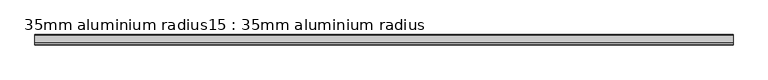
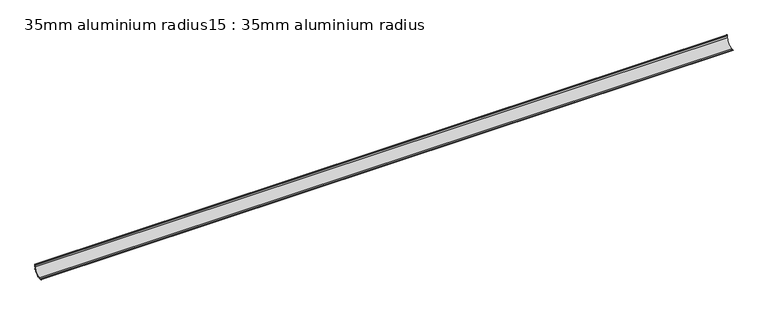
"""IFC4 building model written with IfcOpenShell, lengths in millimetres: proxy geometry, 35mm aluminium radius15 : 35mm aluminium radius."""

from ifc_helpers import new_model, si_unit, point, frame, frame_2d, origin, place, context, project, spatial, polyline, circle_curve, trimmed, segment, composite_curve, outline, extrude, source, transform, mapped, element, save


def proxy_35mm_aluminium_radius15_35mm_aluminium_radius_db4d9fb9(model_context):
    return source(origin(), model_context, "Body", "SweptSolid", [
        extrude(outline(composite_curve([segment(trimmed(circle_curve(frame_2d((-16281.1780089, 308.7699793)), 1.2042709), [point((-16282.0868721, 309.5600654))], [point((-16282.3535388, 308.5084497))], True, "CARTESIAN"), True, "CONTINUOUS"), segment(polyline([(-16282.3535388, 308.5084497), (-16282.3535388, 301.8)]), True, "CONTINUOUS"), segment(trimmed(circle_curve(frame_2d((-16308.7535388, 301.8)), 26.4), [point((-16282.3535388, 301.8))], [point((-16283.5948425, 293.8))], False, "CARTESIAN"), True, "CONTINUOUS"), segment(polyline([(-16283.5948425, 293.8), (-16281.9535388, 293.8), (-16281.9535388, 292.4), (-16284.0837192, 292.4)]), True, "CONTINUOUS"), segment(trimmed(circle_curve(frame_2d((-16308.7535388, 301.8)), 26.4), [point((-16284.0837192, 292.4))], [point((-16299.3535388, 277.1301804))], False, "CARTESIAN"), True, "CONTINUOUS"), segment(polyline([(-16299.3535388, 277.1301804), (-16299.3535388, 275.0), (-16300.7535388, 275.0), (-16300.7535388, 276.6413037)]), True, "CONTINUOUS"), segment(trimmed(circle_curve(frame_2d((-16308.7535388, 301.8)), 26.4), [point((-16300.7535388, 276.6413037))], [point((-16308.7535388, 275.4))], False, "CARTESIAN"), True, "CONTINUOUS"), segment(polyline([(-16308.7535388, 275.4), (-16315.0998309, 275.4)]), True, "CONTINUOUS"), segment(trimmed(circle_curve(frame_2d((-16315.2940246, 272.5485482)), 2.8580567), [point((-16315.0998309, 275.4))], [point((-16316.5136041, 275.1333333))], True, "CARTESIAN"), True, "CONTINUOUS"), segment(trimmed(circle_curve(frame_2d((-16316.8535388, 275.5)), 0.5), [point((-16316.5136041, 275.1333333))], [point((-16317.2262921, 275.8332491))], False, "CARTESIAN"), True, "CONTINUOUS"), segment(trimmed(circle_curve(frame_2d((-16315.020414, 273.8)), 3.0), [point((-16317.2262921, 275.8332491))], [point((-16315.020414, 276.8))], False, "CARTESIAN"), True, "CONTINUOUS"), segment(polyline([(-16315.020414, 276.8), (-16308.7535388, 276.8)]), True, "CONTINUOUS"), segment(trimmed(circle_curve(frame_2d((-16308.7535388, 301.8)), 25.0), [point((-16308.7535388, 276.8))], [point((-16283.7535388, 301.8))], True, "CARTESIAN"), True, "CONTINUOUS"), segment(polyline([(-16283.7535388, 301.8), (-16283.7535388, 308.0668752)]), True, "CONTINUOUS"), segment(trimmed(circle_curve(frame_2d((-16280.7535388, 308.0668752)), 3.0), [point((-16283.7535388, 308.0668752))], [point((-16282.8001577, 310.2603544))], False, "CARTESIAN"), True, "CONTINUOUS"), segment(trimmed(circle_curve(frame_2d((-16282.4535388, 309.9)), 0.5), [point((-16282.8001577, 310.2603544))], [point((-16282.0868721, 309.5600654))], False, "CARTESIAN"), True, "CONTINUOUS")], self_intersect=False)), frame((1584.6309284, 0.0, 0.0), z_axis=(1.0, 0.0, 0.0), x_axis=(0.0, 1.0, 0.0)), (0.0, 0.0, 1.0), 2400.0),
    ])


if __name__ == "__main__":
    model = new_model("IFC4")
    model_context = context("Model", 3, world=origin())
    ifc_project = project(units=[si_unit("LENGTHUNIT", "METRE", prefix="MILLI")], contexts=[model_context])
    site = spatial("IfcSite", under=ifc_project)
    building = spatial("IfcBuilding", under=site)
    placement = place(None, origin())
    proxy_35mm_aluminium_radius15_35mm_aluminium_radius_shape = proxy_35mm_aluminium_radius15_35mm_aluminium_radius_db4d9fb9(model_context)
    element("IfcBuildingElementProxy", 1, Name="35mm aluminium radius15 : 35mm aluminium radius", ObjectType="35mm aluminium radius15 : 35mm aluminium radius", at=placement, inside=building, context=model_context, shape_type="MappedRepresentation", body=[
        mapped(proxy_35mm_aluminium_radius15_35mm_aluminium_radius_shape, transform((0.0, 0.0, 0.0), x_axis=(1.0, 0.0, 0.0), y_axis=(0.0, 1.0, 0.0), z_axis=(0.0, 0.0, 1.0))),
    ])
    save(model, "model.ifc")
